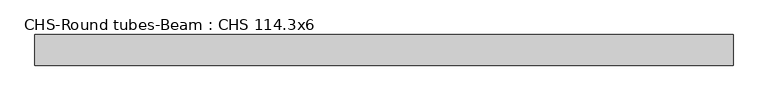
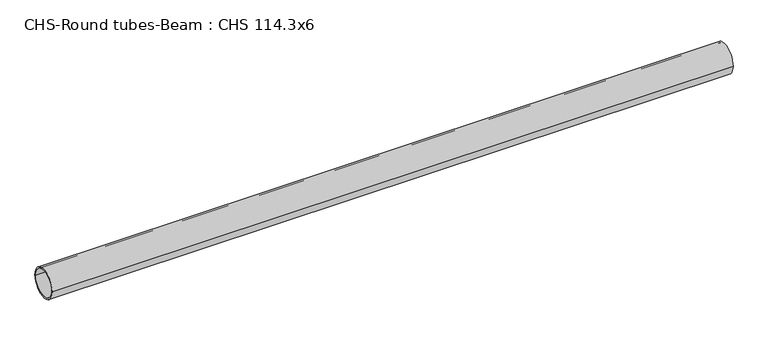
"""IFC4 building model written with IfcOpenShell, lengths in millimetres: beam geometry, CHS-Round tubes-Beam : CHS 114.3x6."""

from ifc_helpers import new_model, si_unit, point, frame, origin, origin_2d, place, context, project, spatial, circle_curve, trimmed, segment, composite_curve, outline, extrude, source, transform, mapped, element, save


def chs_round_tubes_beam_chs_114_3x6_6f313749(model_context):
    return source(origin(), model_context, "Body", "SweptSolid", [
        extrude(outline(composite_curve([segment(trimmed(circle_curve(origin_2d(), 57.15), [point((57.15, 0.0))], [point((-57.15, 0.0))], False, "CARTESIAN"), True, "CONTINUOUS"), segment(trimmed(circle_curve(origin_2d(), 57.15), [point((-57.15, 0.0))], [point((57.15, 0.0))], False, "CARTESIAN"), True, "CONTINUOUS")], self_intersect=False), holes=[composite_curve([segment(trimmed(circle_curve(origin_2d(), 51.15), [point((51.15, 0.0))], [point((-51.15, 0.0))], True, "CARTESIAN"), True, "CONTINUOUS"), segment(trimmed(circle_curve(origin_2d(), 51.15), [point((-51.15, 0.0))], [point((51.15, 0.0))], True, "CARTESIAN"), True, "CONTINUOUS")], self_intersect=False)]), frame((-1273.86491, 0.0, 0.0), z_axis=(1.0, 0.0, 0.0), x_axis=(0.0, 1.0, 0.0)), (0.0, 0.0, 1.0), 2607.2324826),
    ])


if __name__ == "__main__":
    model = new_model("IFC4")
    model_context = context("Model", 3, world=origin())
    ifc_project = project(units=[si_unit("LENGTHUNIT", "METRE", prefix="MILLI")], contexts=[model_context])
    site = spatial("IfcSite", under=ifc_project)
    building = spatial("IfcBuilding", under=site)
    placement = place(None, origin())
    chs_round_tubes_beam_chs_114_3x6_shape = chs_round_tubes_beam_chs_114_3x6_6f313749(model_context)
    element("IfcBeam", 1, ObjectType="CHS-Round tubes-Beam : CHS 114.3x6", at=placement, inside=building, context=model_context, shape_type="MappedRepresentation", body=[
        mapped(chs_round_tubes_beam_chs_114_3x6_shape, transform((0.0, 0.0, 0.0), x_axis=(1.0, 0.0, 0.0), y_axis=(0.0, 1.0, 0.0), z_axis=(0.0, 0.0, 1.0))),
    ])
    save(model, "model.ifc")
